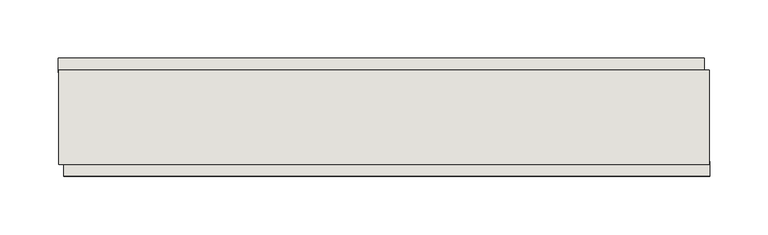
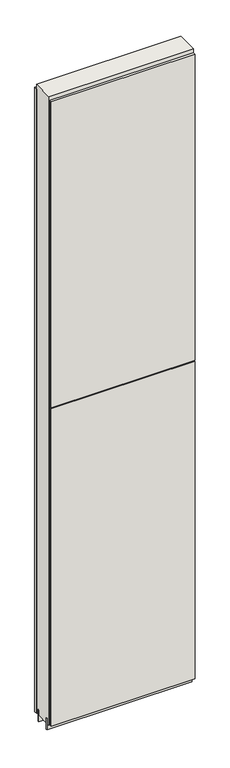
"""IFC4 building model written with IfcOpenShell, lengths in millimetres: wall geometry."""

import ifcopenshell
import ifcopenshell.guid

model = None  # the IFC model being written
_history = None  # IfcOwnerHistory: only IFC2X3 demands one
_inside = {}  # id of a spatial element -> (the spatial element, [elements in it])
_under = {}  # id of a project, library or spatial element -> (it, [spatial elements below it])
_declared = {}  # id of a project -> (the project, [libraries it declares])
_typed = {}  # id of a type object -> (the type object, [elements of that type])
_made_of = {}  # id of a material, layer set ... -> (it, [elements and type objects made of it])


def new_model(schema):
    """Start an empty IFC model of exactly this schema.

    Asked for "IFC4X3", IfcOpenShell would pick the latest addendum, in which some entities
    have other attributes; the version numbers below select the first issue.
    IFC2X3 requires an IfcOwnerHistory on every rooted entity: one is made here for all.
    """
    global model, _history
    if schema == "IFC4X3":
        model = ifcopenshell.file(schema_version=(4, 3, 0, 0))
    else:
        model = ifcopenshell.file(schema=schema)
    _inside.clear()
    _under.clear()
    _declared.clear()
    _typed.clear()
    _made_of.clear()
    _history = None
    if model.schema == "IFC2X3":
        org = make("IfcOrganization", Name="unknown")
        user = make(
            "IfcPersonAndOrganization",
            ThePerson=make("IfcPerson", FamilyName="unknown"),
            TheOrganization=org,
        )
        app = make(
            "IfcApplication",
            ApplicationDeveloper=org,
            Version="unknown",
            ApplicationFullName="unknown",
            ApplicationIdentifier="unknown",
        )
        _history = make(
            "IfcOwnerHistory",
            OwningUser=user,
            OwningApplication=app,
            ChangeAction="ADDED",
            CreationDate=0,
        )
    return model


def make(cls, **values):
    """One entity of the class cls with the attributes given. An attribute that is None is left unset."""
    return model.create_entity(
        cls, **{name: value for name, value in values.items() if value is not None}
    )


def rooted(cls, **values):
    """An entity with a GlobalId (a new one), such as an element, a storey or a relation."""
    return make(cls, GlobalId=ifcopenshell.guid.new(), OwnerHistory=_history, **values)


def si_unit(unit_type, name, prefix=None):
    """IfcSIUnit, for example si_unit("LENGTHUNIT", "METRE", prefix="MILLI")."""
    return make("IfcSIUnit", UnitType=unit_type, Prefix=prefix, Name=name)


def assignment(units):
    """IfcUnitAssignment: the units of a project."""
    return None if units is None else make("IfcUnitAssignment", Units=units)


def point(xyz):
    """IfcCartesianPoint."""
    return None if xyz is None else make("IfcCartesianPoint", Coordinates=xyz)


def direction(xyz):
    """IfcDirection."""
    return None if xyz is None else make("IfcDirection", DirectionRatios=xyz)


def frame(location, z_axis=None, x_axis=None):
    """IfcAxis2Placement3D, a coordinate frame: its origin and axes. An axis left out is left unset."""
    return make(
        "IfcAxis2Placement3D",
        Location=point(location),
        Axis=direction(z_axis),
        RefDirection=direction(x_axis),
    )


def origin():
    """The frame at (0, 0, 0) with its axes left unset."""
    return frame((0.0, 0.0, 0.0))


def place(relative_to, where):
    """IfcLocalPlacement: puts the frame where relative to a parent placement (None: the world)."""
    return make(
        "IfcLocalPlacement", PlacementRelTo=relative_to, RelativePlacement=where
    )


def context(
    kind, dimensions, precision=None, world=None, true_north=None, identifier=None
):
    """IfcGeometricRepresentationContext, for example the 3D "Model" context."""
    return make(
        "IfcGeometricRepresentationContext",
        ContextIdentifier=identifier,
        ContextType=kind,
        CoordinateSpaceDimension=dimensions,
        Precision=precision,
        WorldCoordinateSystem=world,
        TrueNorth=true_north,
    )


def project(units=None, contexts=None):
    """IfcProject with its units and contexts."""
    return rooted(
        "IfcProject",
        Name="project",
        RepresentationContexts=contexts,
        UnitsInContext=assignment(units),
    )


def spatial(cls, under=None, at=None, **own):
    """A site, building, storey or space (cls), placed at a placement, below another one or the project."""
    s = rooted(cls, ObjectPlacement=at, **own)
    if under is not None:
        _under.setdefault(under.id(), (under, []))[1].append(s)
    return s


def polyline(points):
    """IfcPolyline through the points."""
    return make("IfcPolyline", Points=[point(p) for p in points])


def outline(outer, holes=None, kind="AREA"):
    """IfcArbitraryClosedProfileDef: a profile drawn as a closed curve; with holes, ...WithVoids."""
    if holes is None:
        return make("IfcArbitraryClosedProfileDef", ProfileType=kind, OuterCurve=outer)
    return make(
        "IfcArbitraryProfileDefWithVoids",
        ProfileType=kind,
        OuterCurve=outer,
        InnerCurves=holes,
    )


def extrude(swept, where, along, depth):
    """IfcExtrudedAreaSolid: the profile swept, set in the frame where, extruded along a direction by depth."""
    return make(
        "IfcExtrudedAreaSolid",
        SweptArea=swept,
        Position=where,
        ExtrudedDirection=direction(along),
        Depth=depth,
    )


def shape(context_of_items, identifier, shape_type, items):
    """IfcShapeRepresentation: the items that make up one representation, for example the "Body"."""
    return make(
        "IfcShapeRepresentation",
        ContextOfItems=context_of_items,
        RepresentationIdentifier=identifier,
        RepresentationType=shape_type,
        Items=items,
    )


def source(mapping_origin, context_of_items, identifier, shape_type, items):
    """IfcRepresentationMap: a shape defined once, which mapped items show again and again."""
    return make(
        "IfcRepresentationMap",
        MappingOrigin=mapping_origin,
        MappedRepresentation=shape(context_of_items, identifier, shape_type, items),
    )


def transform(
    local_origin,
    x_axis=None,
    y_axis=None,
    z_axis=None,
    scale=None,
    scale2=None,
    scale3=None,
    uniform=True,
):
    """IfcCartesianTransformationOperator3D, or its non-uniform kind. x_axis, y_axis, z_axis: its Axis1, 2, 3."""
    if uniform:
        return make(
            "IfcCartesianTransformationOperator3D",
            Axis1=direction(x_axis),
            Axis2=direction(y_axis),
            LocalOrigin=point(local_origin),
            Scale=scale,
            Axis3=direction(z_axis),
        )
    return make(
        "IfcCartesianTransformationOperator3DnonUniform",
        Axis1=direction(x_axis),
        Axis2=direction(y_axis),
        LocalOrigin=point(local_origin),
        Scale=scale,
        Axis3=direction(z_axis),
        Scale2=scale2,
        Scale3=scale3,
    )


def mapped(mapping_source, mapping_target):
    """IfcMappedItem: shows the shape of a source again, moved by a transform."""
    return make(
        "IfcMappedItem", MappingSource=mapping_source, MappingTarget=mapping_target
    )


def made_of(thing, what):
    """Note that an element or type object is made of a material, layer set ...; save() writes the relation."""
    if what is not None:
        _made_of.setdefault(what.id(), (what, []))[1].append(thing)
    return thing


def element(
    cls,
    number,
    at=None,
    inside=None,
    cuts=None,
    type_object=None,
    material=None,
    context=None,
    identifier="Body",
    shape_type=None,
    held_by="IfcProductDefinitionShape",
    body=None,
    shapes=None,
    **own,
):
    """One element of the class cls, such as IfcWall. Its Tag is "e" and its number.

    at: its placement. inside: the storey or other place that contains it. cuts: it is an
    opening in that element (IfcRelVoidsElement). A single representation is given by context,
    identifier, shape_type and body (its items); several are given by shapes. held_by: the class
    of the entity that holds the representations. save() writes the other relations.
    """
    e = rooted(cls, Tag="e%d" % number, ObjectPlacement=at, **own)
    if body is not None:
        shapes = [shape(context, identifier, shape_type, body)]
    if shapes is not None:
        e.Representation = make(held_by, Representations=shapes)
    if inside is not None:
        _inside.setdefault(inside.id(), (inside, []))[1].append(e)
    if cuts is not None:
        rooted(
            "IfcRelVoidsElement", RelatingBuildingElement=cuts, RelatedOpeningElement=e
        )
    if type_object is not None:
        _typed.setdefault(type_object.id(), (type_object, []))[1].append(e)
    return made_of(e, material)


def aggregate(whole, parts):
    """IfcRelAggregates: a whole, such as a stair, and the parts it consists of."""
    return rooted("IfcRelAggregates", RelatingObject=whole, RelatedObjects=parts)


def save(model, path):
    """Write the relations noted so far, then the file.

    IfcRelAggregates (storeys below a building ...), IfcRelContainedInSpatialStructure (elements
    in a storey), IfcRelDefinesByType, IfcRelAssociatesMaterial and IfcRelDeclares: one each for
    every whole, place, type object, material and project.
    """
    for whole, parts in _under.values():
        aggregate(whole, parts)
    for where, things in _inside.values():
        rooted(
            "IfcRelContainedInSpatialStructure",
            RelatedElements=things,
            RelatingStructure=where,
        )
    for kind, things in _typed.values():
        rooted("IfcRelDefinesByType", RelatedObjects=things, RelatingType=kind)
    for what, things in _made_of.values():
        rooted("IfcRelAssociatesMaterial", RelatedObjects=things, RelatingMaterial=what)
    for by, libraries in _declared.values():
        rooted("IfcRelDeclares", RelatingContext=by, RelatedDefinitions=libraries)
    model.write(path)


def wall_01a3432c(model_context):
    return source(origin(), model_context, "Body", "SweptSolid", [
        extrude(outline(polyline([(64667.108918, -45023.6474684), (64664.568918, -45023.6474684), (64664.568918, -45021.1074684), (64667.108918, -45021.1074684), (64667.108918, -45023.6474684)])), frame((0.0, 0.0, 4419.6), z_axis=(0.0, 0.0, 1.0), x_axis=(1.0, 0.0, 0.0)), (0.0, 0.0, 1.0), 2.54),
        extrude(outline(polyline([(64107.8421168, -44971.5774684), (64662.642074, -44971.5774684), (64662.642074, -44984.2774684), (64107.8421168, -44984.2774684), (64107.8421168, -44971.5774684)])), frame((0.0, 0.0, 4445.0), z_axis=(0.0, 0.0, 1.0), x_axis=(1.0, 0.0, 0.0)), (0.0, 0.0, 1.0), 2545.0498756),
        extrude(outline(polyline([(64667.5782084, -45073.1774684), (64112.7782512, -45073.1774684), (64112.7782512, -45060.4774684), (64667.5782084, -45060.4774684), (64667.5782084, -45073.1774684)])), frame((0.0, 0.0, 4445.0), z_axis=(0.0, 0.0, 1.0), x_axis=(1.0, 0.0, 0.0)), (0.0, 0.0, 1.0), 1293.400004),
        extrude(outline(polyline([(64667.5782084, -45073.1774684), (64112.7782512, -45073.1774684), (64112.7782512, -45060.4774684), (64667.5782084, -45060.4774684), (64667.5782084, -45073.1774684)])), frame((0.0, 0.0, 5742.4000722), z_axis=(0.0, 0.0, 1.0), x_axis=(1.0, 0.0, 0.0)), (0.0, 0.0, 1.0), 1247.649905),
        extrude(outline(polyline([(64667.103965, -44997.2937238), (64108.303965, -44997.2937238), (64108.303965, -44992.2149684), (64667.103965, -44992.2149684), (64667.103965, -44997.2937238)])), frame((0.0, 0.0, 4418.6602), z_axis=(0.0, 0.0, 1.0), x_axis=(1.0, 0.0, 0.0)), (0.0, 0.0, 1.0), 47.625),
        extrude(outline(polyline([(64667.103965, -44997.2937238), (64108.303965, -44997.2937238), (64108.303965, -44992.2149684), (64667.103965, -44992.2149684), (64667.103965, -44997.2937238)])), frame((0.0, 0.0, 4418.6602), z_axis=(0.0, 0.0, 1.0), x_axis=(1.0, 0.0, 0.0)), (0.0, 0.0, 1.0), 47.625),
        extrude(outline(polyline([(64108.303965, -45047.4581142), (64667.103965, -45047.4581142), (64667.103965, -45052.5399684), (64108.303965, -45052.5399684), (64108.303965, -45047.4581142)])), frame((0.0, 0.0, 4418.6602), z_axis=(0.0, 0.0, 1.0), x_axis=(1.0, 0.0, 0.0)), (0.0, 0.0, 1.0), 47.625),
        extrude(outline(polyline([(64108.303965, -45047.4581142), (64667.103965, -45047.4581142), (64667.103965, -45052.5399684), (64108.303965, -45052.5399684), (64108.303965, -45047.4581142)])), frame((0.0, 0.0, 4418.6602), z_axis=(0.0, 0.0, 1.0), x_axis=(1.0, 0.0, 0.0)), (0.0, 0.0, 1.0), 47.625),
        extrude(outline(polyline([(64667.103965, -44981.7504986), (64667.103965, -45063.029254), (64108.303965, -45063.029254), (64108.303965, -44981.7504986), (64667.103965, -44981.7504986)])), frame((0.0, 0.0, 4445.0), z_axis=(0.0, 0.0, 1.0), x_axis=(1.0, 0.0, 0.0)), (0.0, 0.0, 1.0), 2562.4536762),
    ])


if __name__ == "__main__":
    model = new_model("IFC4")
    model_context = context("Model", 3, world=origin())
    ifc_project = project(units=[si_unit("LENGTHUNIT", "METRE", prefix="MILLI")], contexts=[model_context])
    site = spatial("IfcSite", under=ifc_project)
    building = spatial("IfcBuilding", under=site)
    placement = place(None, origin())
    wall_shape = wall_01a3432c(model_context)
    element("IfcWall", 1, at=placement, inside=building, context=model_context, shape_type="MappedRepresentation", body=[
        mapped(wall_shape, transform((0.0, 0.0, 0.0), x_axis=(1.0, 0.0, 0.0), y_axis=(0.0, 1.0, 0.0), z_axis=(0.0, 0.0, 1.0))),
    ])
    save(model, "model.ifc")
